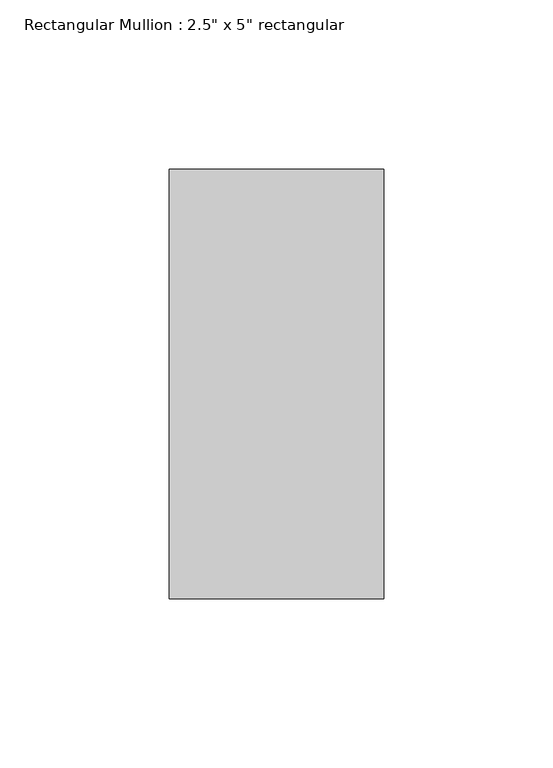
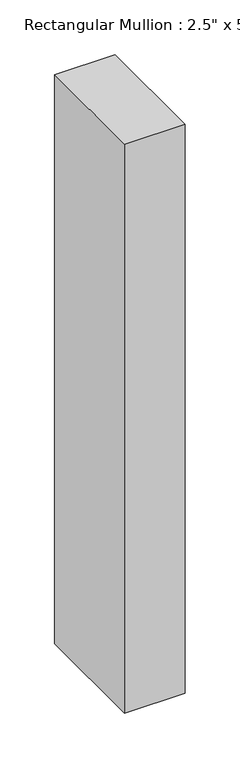
"""IFC4 building model written with IfcOpenShell, lengths in millimetres: member geometry."""

import ifcopenshell
import ifcopenshell.guid

model = None  # the IFC model being written
_history = None  # IfcOwnerHistory: only IFC2X3 demands one
_inside = {}  # id of a spatial element -> (the spatial element, [elements in it])
_under = {}  # id of a project, library or spatial element -> (it, [spatial elements below it])
_declared = {}  # id of a project -> (the project, [libraries it declares])
_typed = {}  # id of a type object -> (the type object, [elements of that type])
_made_of = {}  # id of a material, layer set ... -> (it, [elements and type objects made of it])


def new_model(schema):
    """Start an empty IFC model of exactly this schema.

    Asked for "IFC4X3", IfcOpenShell would pick the latest addendum, in which some entities
    have other attributes; the version numbers below select the first issue.
    IFC2X3 requires an IfcOwnerHistory on every rooted entity: one is made here for all.
    """
    global model, _history
    if schema == "IFC4X3":
        model = ifcopenshell.file(schema_version=(4, 3, 0, 0))
    else:
        model = ifcopenshell.file(schema=schema)
    _inside.clear()
    _under.clear()
    _declared.clear()
    _typed.clear()
    _made_of.clear()
    _history = None
    if model.schema == "IFC2X3":
        org = make("IfcOrganization", Name="unknown")
        user = make(
            "IfcPersonAndOrganization",
            ThePerson=make("IfcPerson", FamilyName="unknown"),
            TheOrganization=org,
        )
        app = make(
            "IfcApplication",
            ApplicationDeveloper=org,
            Version="unknown",
            ApplicationFullName="unknown",
            ApplicationIdentifier="unknown",
        )
        _history = make(
            "IfcOwnerHistory",
            OwningUser=user,
            OwningApplication=app,
            ChangeAction="ADDED",
            CreationDate=0,
        )
    return model


def make(cls, **values):
    """One entity of the class cls with the attributes given. An attribute that is None is left unset."""
    return model.create_entity(
        cls, **{name: value for name, value in values.items() if value is not None}
    )


def rooted(cls, **values):
    """An entity with a GlobalId (a new one), such as an element, a storey or a relation."""
    return make(cls, GlobalId=ifcopenshell.guid.new(), OwnerHistory=_history, **values)


def si_unit(unit_type, name, prefix=None):
    """IfcSIUnit, for example si_unit("LENGTHUNIT", "METRE", prefix="MILLI")."""
    return make("IfcSIUnit", UnitType=unit_type, Prefix=prefix, Name=name)


def assignment(units):
    """IfcUnitAssignment: the units of a project."""
    return None if units is None else make("IfcUnitAssignment", Units=units)


def point(xyz):
    """IfcCartesianPoint."""
    return None if xyz is None else make("IfcCartesianPoint", Coordinates=xyz)


def direction(xyz):
    """IfcDirection."""
    return None if xyz is None else make("IfcDirection", DirectionRatios=xyz)


def frame(location, z_axis=None, x_axis=None):
    """IfcAxis2Placement3D, a coordinate frame: its origin and axes. An axis left out is left unset."""
    return make(
        "IfcAxis2Placement3D",
        Location=point(location),
        Axis=direction(z_axis),
        RefDirection=direction(x_axis),
    )


def origin():
    """The frame at (0, 0, 0) with its axes left unset."""
    return frame((0.0, 0.0, 0.0))


def place(relative_to, where):
    """IfcLocalPlacement: puts the frame where relative to a parent placement (None: the world)."""
    return make(
        "IfcLocalPlacement", PlacementRelTo=relative_to, RelativePlacement=where
    )


def context(
    kind, dimensions, precision=None, world=None, true_north=None, identifier=None
):
    """IfcGeometricRepresentationContext, for example the 3D "Model" context."""
    return make(
        "IfcGeometricRepresentationContext",
        ContextIdentifier=identifier,
        ContextType=kind,
        CoordinateSpaceDimension=dimensions,
        Precision=precision,
        WorldCoordinateSystem=world,
        TrueNorth=true_north,
    )


def project(units=None, contexts=None):
    """IfcProject with its units and contexts."""
    return rooted(
        "IfcProject",
        Name="project",
        RepresentationContexts=contexts,
        UnitsInContext=assignment(units),
    )


def spatial(cls, under=None, at=None, **own):
    """A site, building, storey or space (cls), placed at a placement, below another one or the project."""
    s = rooted(cls, ObjectPlacement=at, **own)
    if under is not None:
        _under.setdefault(under.id(), (under, []))[1].append(s)
    return s


def polyline(points):
    """IfcPolyline through the points."""
    return make("IfcPolyline", Points=[point(p) for p in points])


def outline(outer, holes=None, kind="AREA"):
    """IfcArbitraryClosedProfileDef: a profile drawn as a closed curve; with holes, ...WithVoids."""
    if holes is None:
        return make("IfcArbitraryClosedProfileDef", ProfileType=kind, OuterCurve=outer)
    return make(
        "IfcArbitraryProfileDefWithVoids",
        ProfileType=kind,
        OuterCurve=outer,
        InnerCurves=holes,
    )


def extrude(swept, where, along, depth):
    """IfcExtrudedAreaSolid: the profile swept, set in the frame where, extruded along a direction by depth."""
    return make(
        "IfcExtrudedAreaSolid",
        SweptArea=swept,
        Position=where,
        ExtrudedDirection=direction(along),
        Depth=depth,
    )


def shape(context_of_items, identifier, shape_type, items):
    """IfcShapeRepresentation: the items that make up one representation, for example the "Body"."""
    return make(
        "IfcShapeRepresentation",
        ContextOfItems=context_of_items,
        RepresentationIdentifier=identifier,
        RepresentationType=shape_type,
        Items=items,
    )


def source(mapping_origin, context_of_items, identifier, shape_type, items):
    """IfcRepresentationMap: a shape defined once, which mapped items show again and again."""
    return make(
        "IfcRepresentationMap",
        MappingOrigin=mapping_origin,
        MappedRepresentation=shape(context_of_items, identifier, shape_type, items),
    )


def transform(
    local_origin,
    x_axis=None,
    y_axis=None,
    z_axis=None,
    scale=None,
    scale2=None,
    scale3=None,
    uniform=True,
):
    """IfcCartesianTransformationOperator3D, or its non-uniform kind. x_axis, y_axis, z_axis: its Axis1, 2, 3."""
    if uniform:
        return make(
            "IfcCartesianTransformationOperator3D",
            Axis1=direction(x_axis),
            Axis2=direction(y_axis),
            LocalOrigin=point(local_origin),
            Scale=scale,
            Axis3=direction(z_axis),
        )
    return make(
        "IfcCartesianTransformationOperator3DnonUniform",
        Axis1=direction(x_axis),
        Axis2=direction(y_axis),
        LocalOrigin=point(local_origin),
        Scale=scale,
        Axis3=direction(z_axis),
        Scale2=scale2,
        Scale3=scale3,
    )


def mapped(mapping_source, mapping_target):
    """IfcMappedItem: shows the shape of a source again, moved by a transform."""
    return make(
        "IfcMappedItem", MappingSource=mapping_source, MappingTarget=mapping_target
    )


def made_of(thing, what):
    """Note that an element or type object is made of a material, layer set ...; save() writes the relation."""
    if what is not None:
        _made_of.setdefault(what.id(), (what, []))[1].append(thing)
    return thing


def element(
    cls,
    number,
    at=None,
    inside=None,
    cuts=None,
    type_object=None,
    material=None,
    context=None,
    identifier="Body",
    shape_type=None,
    held_by="IfcProductDefinitionShape",
    body=None,
    shapes=None,
    **own,
):
    """One element of the class cls, such as IfcWall. Its Tag is "e" and its number.

    at: its placement. inside: the storey or other place that contains it. cuts: it is an
    opening in that element (IfcRelVoidsElement). A single representation is given by context,
    identifier, shape_type and body (its items); several are given by shapes. held_by: the class
    of the entity that holds the representations. save() writes the other relations.
    """
    e = rooted(cls, Tag="e%d" % number, ObjectPlacement=at, **own)
    if body is not None:
        shapes = [shape(context, identifier, shape_type, body)]
    if shapes is not None:
        e.Representation = make(held_by, Representations=shapes)
    if inside is not None:
        _inside.setdefault(inside.id(), (inside, []))[1].append(e)
    if cuts is not None:
        rooted(
            "IfcRelVoidsElement", RelatingBuildingElement=cuts, RelatedOpeningElement=e
        )
    if type_object is not None:
        _typed.setdefault(type_object.id(), (type_object, []))[1].append(e)
    return made_of(e, material)


def aggregate(whole, parts):
    """IfcRelAggregates: a whole, such as a stair, and the parts it consists of."""
    return rooted("IfcRelAggregates", RelatingObject=whole, RelatedObjects=parts)


def save(model, path):
    """Write the relations noted so far, then the file.

    IfcRelAggregates (storeys below a building ...), IfcRelContainedInSpatialStructure (elements
    in a storey), IfcRelDefinesByType, IfcRelAssociatesMaterial and IfcRelDeclares: one each for
    every whole, place, type object, material and project.
    """
    for whole, parts in _under.values():
        aggregate(whole, parts)
    for where, things in _inside.values():
        rooted(
            "IfcRelContainedInSpatialStructure",
            RelatedElements=things,
            RelatingStructure=where,
        )
    for kind, things in _typed.values():
        rooted("IfcRelDefinesByType", RelatedObjects=things, RelatingType=kind)
    for what, things in _made_of.values():
        rooted("IfcRelAssociatesMaterial", RelatedObjects=things, RelatingMaterial=what)
    for by, libraries in _declared.values():
        rooted("IfcRelDeclares", RelatingContext=by, RelatedDefinitions=libraries)
    model.write(path)


def member_2fad6602(model_context):
    return source(origin(), model_context, "Body", "SweptSolid", [
        extrude(outline(polyline([(31.75, 63.5), (31.75, -63.5), (-31.75, -63.5), (-31.75, 63.5), (31.75, 63.5)])), frame((0.0, 0.0, -631.4377835), z_axis=(0.0, 0.0, 1.0), x_axis=(1.0, 0.0, 0.0)), (0.0, 0.0, 1.0), 631.4377835),
    ])


if __name__ == "__main__":
    model = new_model("IFC4")
    model_context = context("Model", 3, world=origin())
    ifc_project = project(units=[si_unit("LENGTHUNIT", "METRE", prefix="MILLI")], contexts=[model_context])
    site = spatial("IfcSite", under=ifc_project)
    building = spatial("IfcBuilding", under=site)
    placement = place(None, origin())
    member_shape = member_2fad6602(model_context)
    element("IfcMember", 1, ObjectType="Rectangular Mullion : 2.5\" x 5\" rectangular", at=placement, inside=building, context=model_context, shape_type="MappedRepresentation", body=[
        mapped(member_shape, transform((0.0, 0.0, 0.0), x_axis=(1.0, 0.0, 0.0), y_axis=(0.0, 1.0, 0.0), z_axis=(0.0, 0.0, 1.0))),
    ])
    save(model, "model.ifc")
